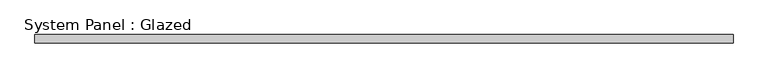
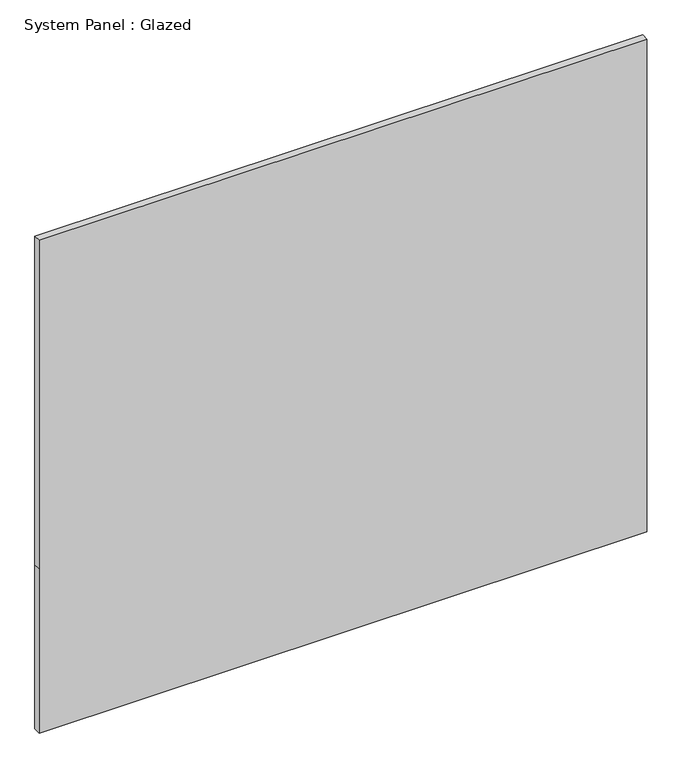
"""IFC4 building model written with IfcOpenShell, lengths in millimetres: plate geometry, System Panel : Glazed."""

from ifc_helpers import new_model, si_unit, frame, origin, place, context, project, spatial, polyline, outline, extrude, source, transform, mapped, element, save


def system_panel_glazed_3e53d20d(model_context):
    return source(origin(), model_context, "Body", "SweptSolid", [
        extrude(outline(polyline([(0.0, -1066.8), (0.0, 1066.8), (609.6, 1066.8), (1828.8, 1066.8), (1828.8, -1066.8), (609.6, -1066.8), (0.0, -1066.8)])), frame((0.0, -44.45, 0.0), z_axis=(0.0, 1.0, 0.0), x_axis=(0.0, 0.0, 1.0)), (0.0, 0.0, 1.0), 25.4),
    ])


if __name__ == "__main__":
    model = new_model("IFC4")
    model_context = context("Model", 3, world=origin())
    ifc_project = project(units=[si_unit("LENGTHUNIT", "METRE", prefix="MILLI")], contexts=[model_context])
    site = spatial("IfcSite", under=ifc_project)
    building = spatial("IfcBuilding", under=site)
    placement = place(None, origin())
    system_panel_glazed_shape = system_panel_glazed_3e53d20d(model_context)
    element("IfcPlate", 1, ObjectType="System Panel : Glazed", at=placement, inside=building, context=model_context, shape_type="MappedRepresentation", body=[
        mapped(system_panel_glazed_shape, transform((0.0, 0.0, 0.0), x_axis=(1.0, 0.0, 0.0), y_axis=(0.0, 1.0, 0.0), z_axis=(0.0, 0.0, 1.0))),
    ])
    save(model, "model.ifc")
